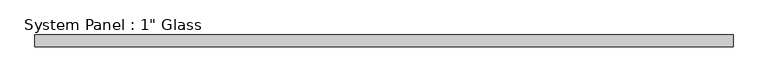
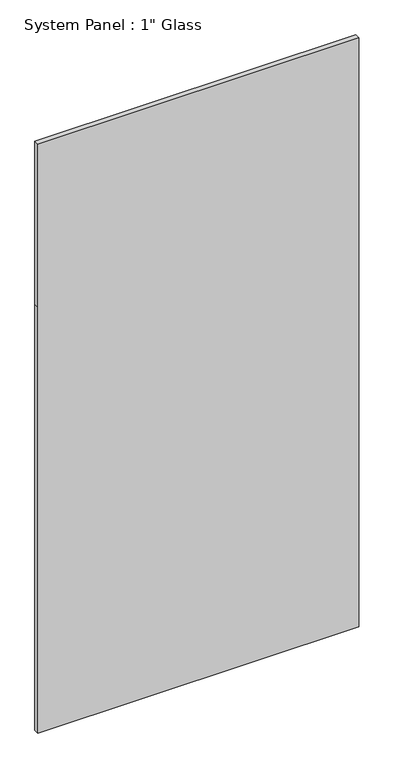
"""IFC4 building model written with IfcOpenShell, lengths in millimetres: plate geometry."""

from ifc_helpers import new_model, si_unit, frame, origin, place, context, project, spatial, polyline, outline, extrude, source, transform, mapped, element, save


def plate_0e881cca(model_context):
    return source(origin(), model_context, "Body", "SweptSolid", [
        extrude(outline(polyline([(0.0, -762.0), (0.0, 762.0), (2139.95, 762.0), (2959.1, 762.0), (2959.1, -762.0), (2139.95, -762.0), (0.0, -762.0)])), frame((0.0, -12.7, 0.0), z_axis=(0.0, 1.0, 0.0), x_axis=(0.0, 0.0, 1.0)), (0.0, 0.0, 1.0), 25.4),
    ])


if __name__ == "__main__":
    model = new_model("IFC4")
    model_context = context("Model", 3, world=origin())
    ifc_project = project(units=[si_unit("LENGTHUNIT", "METRE", prefix="MILLI")], contexts=[model_context])
    site = spatial("IfcSite", under=ifc_project)
    building = spatial("IfcBuilding", under=site)
    placement = place(None, origin())
    plate_shape = plate_0e881cca(model_context)
    element("IfcPlate", 1, ObjectType="System Panel : 1\" Glass", at=placement, inside=building, context=model_context, shape_type="MappedRepresentation", body=[
        mapped(plate_shape, transform((0.0, 0.0, 0.0), x_axis=(1.0, 0.0, 0.0), y_axis=(0.0, 1.0, 0.0), z_axis=(0.0, 0.0, 1.0))),
    ])
    save(model, "model.ifc")
